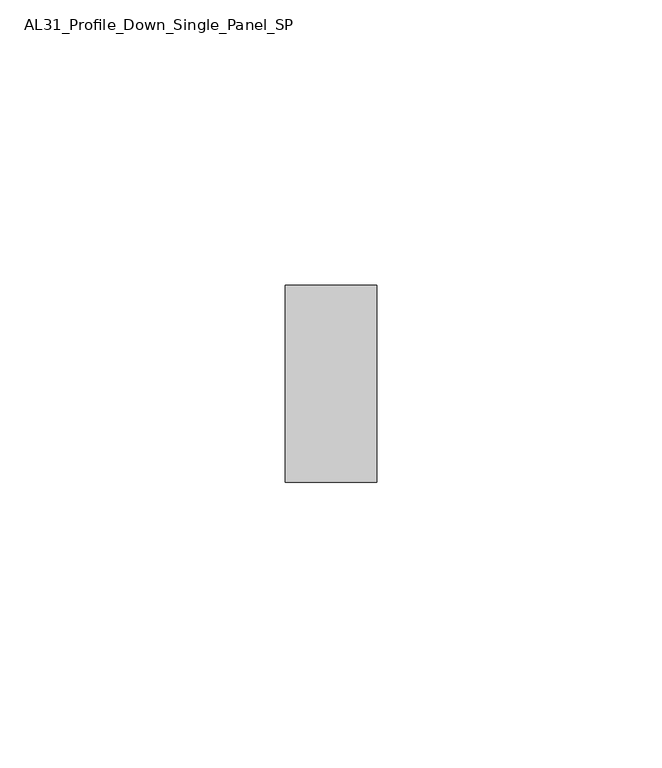
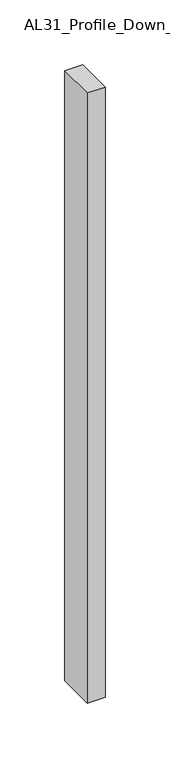
"""IFC4 building model written with IfcOpenShell, lengths in millimetres: member geometry, AL31_Profile_Down_Single_Panel_SP."""

from ifc_helpers import new_model, si_unit, frame, origin, place, context, project, spatial, polyline, outline, extrude, source, transform, mapped, element, save


def al31_profile_down_single_panel_sp_159fc40b(model_context):
    return source(origin(), model_context, "Body", "SweptSolid", [
        extrude(outline(polyline([(0.0, -17.25), (-16.0, -17.25), (-16.0, 17.25), (0.0, 17.25), (0.0, -17.25)])), frame((0.0, 0.0, -574.7352632), z_axis=(0.0, 0.0, 1.0), x_axis=(1.0, 0.0, 0.0)), (0.0, 0.0, 1.0), 574.7352632),
    ])


if __name__ == "__main__":
    model = new_model("IFC4")
    model_context = context("Model", 3, world=origin())
    ifc_project = project(units=[si_unit("LENGTHUNIT", "METRE", prefix="MILLI")], contexts=[model_context])
    site = spatial("IfcSite", under=ifc_project)
    building = spatial("IfcBuilding", under=site)
    placement = place(None, origin())
    al31_profile_down_single_panel_sp_shape = al31_profile_down_single_panel_sp_159fc40b(model_context)
    element("IfcMember", 1, ObjectType="AL31_Profile_Down_Single_Panel_SP", at=placement, inside=building, context=model_context, shape_type="MappedRepresentation", body=[
        mapped(al31_profile_down_single_panel_sp_shape, transform((0.0, 0.0, 0.0), x_axis=(1.0, 0.0, 0.0), y_axis=(0.0, 1.0, 0.0), z_axis=(0.0, 0.0, 1.0))),
    ])
    save(model, "model.ifc")
